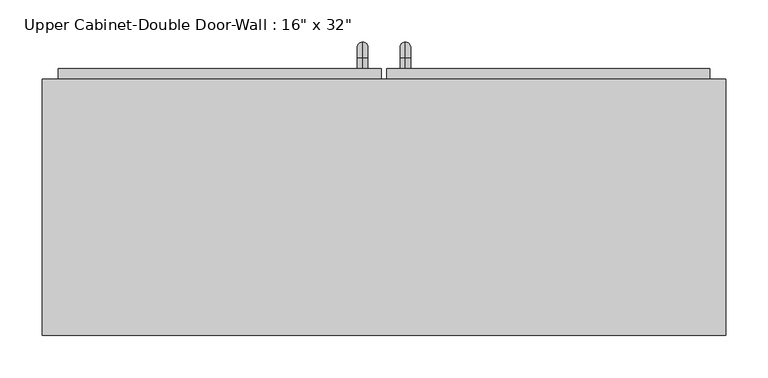
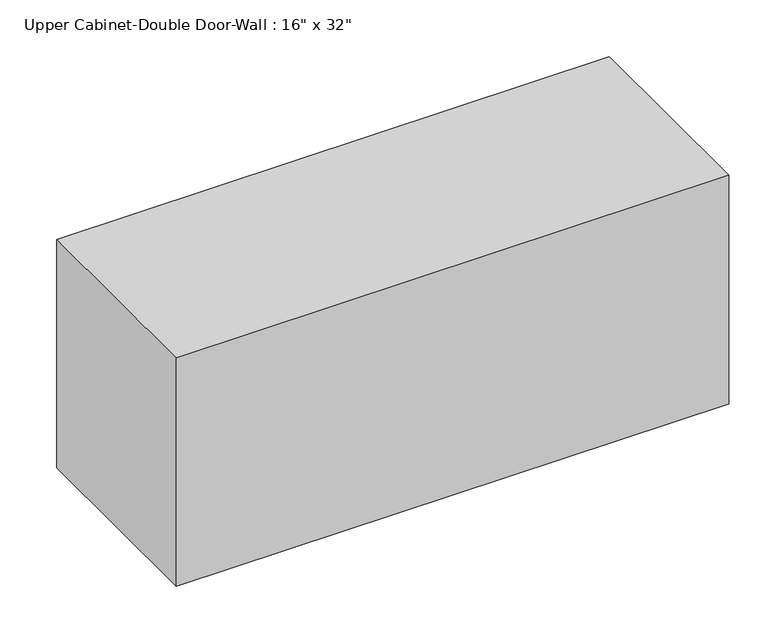
"""IFC4 building model written with IfcOpenShell, lengths in millimetres: furniture geometry."""

from ifc_helpers import new_model, si_unit, point, frame, origin, place, context, project, spatial, polyline, circle_curve, ellipse_curve, trimmed, outline, extrude, faceted_brep, source, transform, mapped, element, save
from ifc_brep_helpers import plane_surface, cylinder_surface, revolved_surface, advanced_brep


def furniture_e22596ef(model_context):
    return source(origin(), model_context, "Body", "SolidModel", [
        faceted_brep([(-376.6288372, 61.9125, 2133.6), (-376.6288372, 61.9125, 1778.0), (436.1711628, 61.9125, 1778.0), (436.1711628, 61.9125, 2133.6), (-376.6288372, 366.7125, 2133.6), (436.1711628, 366.7125, 2133.6), (436.1711628, 366.7125, 1778.0), (-376.6288372, 366.7125, 1778.0), (-357.5788372, 366.7125, 2114.55), (-357.5788372, 366.7125, 1797.05), (417.1211628, 366.7125, 1797.05), (417.1211628, 366.7125, 2114.55), (417.1211628, 80.9625, 2114.55), (-357.5788372, 80.9625, 2114.55), (417.1211628, 80.9625, 1797.05), (-357.5788372, 80.9625, 1797.05)], [[[0, 1, 2, 3]], [[4, 5, 6, 7], [8, 9, 10, 11]], [[1, 0, 4, 7]], [[2, 1, 7, 6]], [[3, 2, 6, 5]], [[0, 3, 5, 4]], [[8, 11, 12, 13]], [[11, 10, 14, 12]], [[10, 9, 15, 14]], [[9, 8, 13, 15]], [[13, 12, 14, 15]]]),
        advanced_brep(
        [(55.1711628, 379.4125, 1924.05), (55.1711628, 379.4125, 1936.75), (55.1711628, 392.1125, 1924.05), (55.1711628, 392.1125, 1936.75), (55.1711628, 411.1625, 1917.7), (55.1711628, 398.4625, 1917.7), (55.1711628, 398.4625, 1841.5), (55.1711628, 411.1625, 1841.5), (55.1711628, 392.1125, 1822.45), (55.1711628, 392.1125, 1835.15), (55.1711628, 379.4125, 1835.15), (55.1711628, 379.4125, 1822.45)],
        [
            (0, 1, circle_curve(frame((55.1711628, 379.4125, 1930.4), z_axis=(0.0, -1.0, 0.0), x_axis=(0.0, 0.0, -1.0)), 6.35)),
            (1, 0, circle_curve(frame((55.1711628, 379.4125, 1930.4), z_axis=(0.0, -1.0, 0.0), x_axis=(0.0, 0.0, -1.0)), 6.35)),
            (0, 2),
            (2, 3, circle_curve(frame((55.1711628, 392.1125, 1930.4), z_axis=(0.0, -1.0, 0.0), x_axis=(0.0, 0.0, -1.0)), 6.35)),
            (3, 1),
            (3, 2, circle_curve(frame((55.1711628, 392.1125, 1930.4), z_axis=(0.0, -1.0, 0.0), x_axis=(0.0, 0.0, -1.0)), 6.35)),
            (4, 3, circle_curve(frame((55.1711628, 392.1125, 1917.7), z_axis=(1.0, 0.0, 0.0), x_axis=(0.0, 0.0, 1.0)), 19.05)),
            (2, 5, circle_curve(frame((55.1711628, 392.1125, 1917.7), z_axis=(-1.0, 0.0, 0.0), x_axis=(0.0, 0.0, 1.0)), 6.35)),
            (5, 4, circle_curve(frame((55.1711628, 404.8125, 1917.7), z_axis=(0.0, 0.0, 1.0), x_axis=(0.0, -1.0, 0.0)), 6.35)),
            (4, 5, circle_curve(frame((55.1711628, 404.8125, 1917.7), z_axis=(0.0, 0.0, 1.0), x_axis=(0.0, -1.0, 0.0)), 6.35)),
            (5, 6),
            (6, 7, circle_curve(frame((55.1711628, 404.8125, 1841.5), z_axis=(0.0, 0.0, 1.0), x_axis=(0.0, -1.0, 0.0)), 6.35)),
            (7, 4),
            (7, 6, circle_curve(frame((55.1711628, 404.8125, 1841.5), z_axis=(0.0, 0.0, 1.0), x_axis=(0.0, -1.0, 0.0)), 6.35)),
            (8, 7, circle_curve(frame((55.1711628, 392.1125, 1841.5), z_axis=(1.0, 0.0, 0.0), x_axis=(0.0, 1.0, 0.0)), 19.05)),
            (6, 9, circle_curve(frame((55.1711628, 392.1125, 1841.5), z_axis=(-1.0, 0.0, 0.0), x_axis=(0.0, 1.0, 0.0)), 6.35)),
            (9, 8, circle_curve(frame((55.1711628, 392.1125, 1828.8), z_axis=(0.0, 1.0, 0.0), x_axis=(0.0, 0.0, 1.0)), 6.35)),
            (8, 9, circle_curve(frame((55.1711628, 392.1125, 1828.8), z_axis=(0.0, 1.0, 0.0), x_axis=(0.0, 0.0, 1.0)), 6.35)),
            (10, 11, circle_curve(frame((55.1711628, 379.4125, 1828.8), z_axis=(0.0, -1.0, 0.0), x_axis=(0.0, 0.0, 1.0)), 6.35)),
            (11, 10, circle_curve(frame((55.1711628, 379.4125, 1828.8), z_axis=(0.0, -1.0, 0.0), x_axis=(0.0, 0.0, 1.0)), 6.35)),
            (9, 10),
            (11, 8),
        ],
        [
            plane_surface(frame((48.8211628, 379.4125, 1930.4), z_axis=(0.0, -1.0, 0.0), x_axis=(0.0, 0.0, 1.0))),
            cylinder_surface(frame((55.1711628, 379.4125, 1930.4), z_axis=(0.0, -1.0, 0.0), x_axis=(0.0, 0.0, -1.0)), 6.35),
            revolved_surface(trimmed(ellipse_curve(frame((55.1711628, 392.1125, 1930.4), z_axis=(0.0, -1.0, 0.0), x_axis=(0.0, 0.0, -1.0)), 6.35, 6.35), [point((55.1711628, 392.1125, 1924.05))], [point((55.1711628, 392.1125, 1936.75))], True, "CARTESIAN"), (55.1711628, 392.1125, 1917.7), (-1.0, 0.0, 0.0)),
            revolved_surface(trimmed(ellipse_curve(frame((55.1711628, 392.1125, 1930.4), z_axis=(0.0, -1.0, 0.0), x_axis=(0.0, 0.0, -1.0)), 6.35, 6.35), [point((55.1711628, 392.1125, 1936.75))], [point((55.1711628, 392.1125, 1924.05))], True, "CARTESIAN"), (55.1711628, 392.1125, 1917.7), (-1.0, 0.0, 0.0)),
            cylinder_surface(frame((55.1711628, 404.8125, 1917.7), z_axis=(0.0, 0.0, 1.0), x_axis=(0.0, -1.0, 0.0)), 6.35),
            revolved_surface(trimmed(ellipse_curve(frame((55.1711628, 404.8125, 1841.5), z_axis=(0.0, 0.0, 1.0), x_axis=(0.0, -1.0, 0.0)), 6.35, 6.35), [point((55.1711628, 398.4625, 1841.5))], [point((55.1711628, 411.1625, 1841.5))], True, "CARTESIAN"), (55.1711628, 392.1125, 1841.5), (-1.0, 0.0, 0.0)),
            revolved_surface(trimmed(ellipse_curve(frame((55.1711628, 404.8125, 1841.5), z_axis=(0.0, 0.0, 1.0), x_axis=(0.0, -1.0, 0.0)), 6.35, 6.35), [point((55.1711628, 411.1625, 1841.5))], [point((55.1711628, 398.4625, 1841.5))], True, "CARTESIAN"), (55.1711628, 392.1125, 1841.5), (-1.0, 0.0, 0.0)),
            plane_surface(frame((48.8211628, 379.4125, 1828.8), z_axis=(0.0, -1.0, 0.0), x_axis=(0.0, 0.0, -1.0))),
            cylinder_surface(frame((55.1711628, 392.1125, 1828.8), z_axis=(0.0, 1.0, 0.0), x_axis=(0.0, 0.0, 1.0)), 6.35),
        ],
        [
            (0, [[1, 2]]),
            (1, [[-1, 3, 4, 5]]),
            (1, [[-2, -5, 6, -3]]),
            (2, [[7, -4, 8, 9]]),
            (3, [[-8, -6, -7, 10]]),
            (4, [[-9, 11, 12, 13]]),
            (4, [[-10, -13, 14, -11]]),
            (5, [[15, -12, 16, 17]]),
            (6, [[-16, -14, -15, 18]]),
            (7, [[19, 20]]),
            (8, [[-17, 21, -20, 22]]),
            (8, [[-18, -22, -19, -21]]),
        ],
    ),
        advanced_brep(
        [(4.3711628, 379.4125, 1924.05), (4.3711628, 379.4125, 1936.75), (4.3711628, 392.1125, 1924.05), (4.3711628, 392.1125, 1936.75), (4.3711628, 411.1625, 1917.7), (4.3711628, 398.4625, 1917.7), (4.3711628, 398.4625, 1841.5), (4.3711628, 411.1625, 1841.5), (4.3711628, 392.1125, 1822.45), (4.3711628, 392.1125, 1835.15), (4.3711628, 379.4125, 1835.15), (4.3711628, 379.4125, 1822.45)],
        [
            (0, 1, circle_curve(frame((4.3711628, 379.4125, 1930.4), z_axis=(0.0, -1.0, 0.0), x_axis=(0.0, 0.0, 1.0)), 6.35)),
            (1, 0, circle_curve(frame((4.3711628, 379.4125, 1930.4), z_axis=(0.0, -1.0, 0.0), x_axis=(0.0, 0.0, 1.0)), 6.35)),
            (0, 2),
            (2, 3, circle_curve(frame((4.3711628, 392.1125, 1930.4), z_axis=(0.0, -1.0, 0.0), x_axis=(0.0, 0.0, 1.0)), 6.35)),
            (3, 1),
            (3, 2, circle_curve(frame((4.3711628, 392.1125, 1930.4), z_axis=(0.0, -1.0, 0.0), x_axis=(0.0, 0.0, 1.0)), 6.35)),
            (4, 3, circle_curve(frame((4.3711628, 392.1125, 1917.7), z_axis=(1.0, 0.0, 0.0), x_axis=(0.0, 0.0, 1.0)), 19.05)),
            (2, 5, circle_curve(frame((4.3711628, 392.1125, 1917.7), z_axis=(-1.0, 0.0, 0.0), x_axis=(0.0, 0.0, 1.0)), 6.35)),
            (5, 4, circle_curve(frame((4.3711628, 404.8125, 1917.7), z_axis=(0.0, 0.0, 1.0), x_axis=(0.0, 1.0, 0.0)), 6.35)),
            (4, 5, circle_curve(frame((4.3711628, 404.8125, 1917.7), z_axis=(0.0, 0.0, 1.0), x_axis=(0.0, 1.0, 0.0)), 6.35)),
            (5, 6),
            (6, 7, circle_curve(frame((4.3711628, 404.8125, 1841.5), z_axis=(0.0, 0.0, 1.0), x_axis=(0.0, 1.0, 0.0)), 6.35)),
            (7, 4),
            (7, 6, circle_curve(frame((4.3711628, 404.8125, 1841.5), z_axis=(0.0, 0.0, 1.0), x_axis=(0.0, 1.0, 0.0)), 6.35)),
            (8, 7, circle_curve(frame((4.3711628, 392.1125, 1841.5), z_axis=(1.0, 0.0, 0.0), x_axis=(0.0, 1.0, 0.0)), 19.05)),
            (6, 9, circle_curve(frame((4.3711628, 392.1125, 1841.5), z_axis=(-1.0, 0.0, 0.0), x_axis=(0.0, 1.0, 0.0)), 6.35)),
            (9, 8, circle_curve(frame((4.3711628, 392.1125, 1828.8), z_axis=(0.0, 1.0, 0.0), x_axis=(0.0, 0.0, -1.0)), 6.35)),
            (8, 9, circle_curve(frame((4.3711628, 392.1125, 1828.8), z_axis=(0.0, 1.0, 0.0), x_axis=(0.0, 0.0, -1.0)), 6.35)),
            (10, 11, circle_curve(frame((4.3711628, 379.4125, 1828.8), z_axis=(0.0, -1.0, 0.0), x_axis=(0.0, 0.0, -1.0)), 6.35)),
            (11, 10, circle_curve(frame((4.3711628, 379.4125, 1828.8), z_axis=(0.0, -1.0, 0.0), x_axis=(0.0, 0.0, -1.0)), 6.35)),
            (9, 10),
            (11, 8),
        ],
        [
            plane_surface(frame((-1.9788372, 379.4125, 1930.4), z_axis=(0.0, -1.0, 0.0), x_axis=(0.0, 0.0, 1.0))),
            cylinder_surface(frame((4.3711628, 379.4125, 1930.4), z_axis=(0.0, -1.0, 0.0), x_axis=(0.0, 0.0, 1.0)), 6.35),
            revolved_surface(trimmed(ellipse_curve(frame((4.3711628, 392.1125, 1930.4), z_axis=(0.0, -1.0, 0.0), x_axis=(0.0, 0.0, 1.0)), 6.35, 6.35), [point((4.3711628, 392.1125, 1924.05))], [point((4.3711628, 392.1125, 1936.75))], True, "CARTESIAN"), (4.3711628, 392.1125, 1917.7), (-1.0, 0.0, 0.0)),
            revolved_surface(trimmed(ellipse_curve(frame((4.3711628, 392.1125, 1930.4), z_axis=(0.0, -1.0, 0.0), x_axis=(0.0, 0.0, 1.0)), 6.35, 6.35), [point((4.3711628, 392.1125, 1936.75))], [point((4.3711628, 392.1125, 1924.05))], True, "CARTESIAN"), (4.3711628, 392.1125, 1917.7), (-1.0, 0.0, 0.0)),
            cylinder_surface(frame((4.3711628, 404.8125, 1917.7), z_axis=(0.0, 0.0, 1.0), x_axis=(0.0, 1.0, 0.0)), 6.35),
            revolved_surface(trimmed(ellipse_curve(frame((4.3711628, 404.8125, 1841.5), z_axis=(0.0, 0.0, 1.0), x_axis=(0.0, 1.0, 0.0)), 6.35, 6.35), [point((4.3711628, 398.4625, 1841.5))], [point((4.3711628, 411.1625, 1841.5))], True, "CARTESIAN"), (4.3711628, 392.1125, 1841.5), (-1.0, 0.0, 0.0)),
            revolved_surface(trimmed(ellipse_curve(frame((4.3711628, 404.8125, 1841.5), z_axis=(0.0, 0.0, 1.0), x_axis=(0.0, 1.0, 0.0)), 6.35, 6.35), [point((4.3711628, 411.1625, 1841.5))], [point((4.3711628, 398.4625, 1841.5))], True, "CARTESIAN"), (4.3711628, 392.1125, 1841.5), (-1.0, 0.0, 0.0)),
            plane_surface(frame((-1.9788372, 379.4125, 1828.8), z_axis=(0.0, -1.0, 0.0), x_axis=(0.0, 0.0, -1.0))),
            cylinder_surface(frame((4.3711628, 392.1125, 1828.8), z_axis=(0.0, 1.0, 0.0), x_axis=(0.0, 0.0, -1.0)), 6.35),
        ],
        [
            (0, [[1, 2]]),
            (1, [[-1, 3, 4, 5]]),
            (1, [[-2, -5, 6, -3]]),
            (2, [[7, -4, 8, 9]]),
            (3, [[-8, -6, -7, 10]]),
            (4, [[-9, 11, 12, 13]]),
            (4, [[-10, -13, 14, -11]]),
            (5, [[15, -12, 16, 17]]),
            (6, [[-16, -14, -15, 18]]),
            (7, [[19, 20]]),
            (8, [[-17, 21, -20, 22]]),
            (8, [[-18, -22, -19, -21]]),
        ],
    ),
        extrude(outline(polyline([(32.9461628, 379.4125), (417.1211628, 379.4125), (417.1211628, 347.6625), (32.9461628, 347.6625), (32.9461628, 379.4125)])), frame((0.0, 0.0, 1797.05), z_axis=(0.0, 0.0, 1.0), x_axis=(1.0, 0.0, 0.0)), (0.0, 0.0, 1.0), 317.5),
        extrude(outline(polyline([(-357.5788372, 379.4125), (26.5961628, 379.4125), (26.5961628, 347.6625), (-357.5788372, 347.6625), (-357.5788372, 379.4125)])), frame((0.0, 0.0, 1797.05), z_axis=(0.0, 0.0, 1.0), x_axis=(1.0, 0.0, 0.0)), (0.0, 0.0, 1.0), 317.5),
    ])


if __name__ == "__main__":
    model = new_model("IFC4")
    model_context = context("Model", 3, world=origin())
    ifc_project = project(units=[si_unit("LENGTHUNIT", "METRE", prefix="MILLI")], contexts=[model_context])
    site = spatial("IfcSite", under=ifc_project)
    building = spatial("IfcBuilding", under=site)
    placement = place(None, origin())
    furniture_shape = furniture_e22596ef(model_context)
    element("IfcFurniture", 1, ObjectType="Upper Cabinet-Double Door-Wall : 16\" x 32\"", at=placement, inside=building, context=model_context, shape_type="MappedRepresentation", body=[
        mapped(furniture_shape, transform((0.0, 0.0, 0.0), x_axis=(1.0, 0.0, 0.0), y_axis=(0.0, 1.0, 0.0), z_axis=(0.0, 0.0, 1.0))),
    ])
    save(model, "model.ifc")
